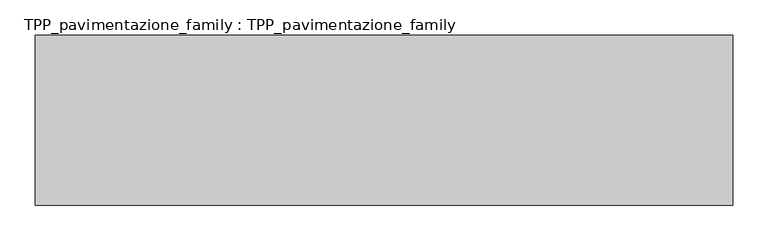
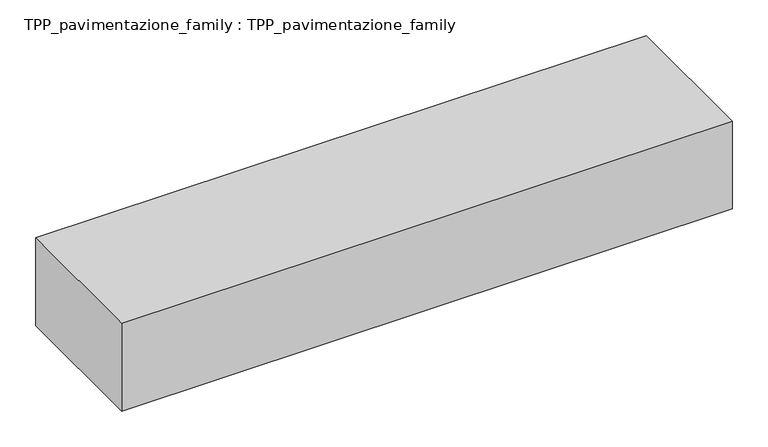
"""IFC4 building model written with IfcOpenShell, lengths in millimetres: proxy geometry, TPP_pavimentazione_family : TPP_pavimentazione_family."""

from ifc_helpers import new_model, si_unit, origin, origin_with_axes, place, context, project, spatial, polyline, outline, extrude, source, transform, mapped, element, save


def tpp_pavimentazione_family_tpp_pavimentazione_family_38820ddd(model_context):
    return source(origin(), model_context, "Body", "SweptSolid", [
        extrude(outline(polyline([(511.8146187, 354.2201026), (511.8146187, 114.2201026), (-473.9466783, 114.2201026), (-473.9466783, 354.2201026), (511.8146187, 354.2201026)])), origin_with_axes(), (0.0, 0.0, 1.0), 150.0),
    ])


if __name__ == "__main__":
    model = new_model("IFC4")
    model_context = context("Model", 3, world=origin())
    ifc_project = project(units=[si_unit("LENGTHUNIT", "METRE", prefix="MILLI")], contexts=[model_context])
    site = spatial("IfcSite", under=ifc_project)
    building = spatial("IfcBuilding", under=site)
    placement = place(None, origin())
    tpp_pavimentazione_family_tpp_pavimentazione_family_shape = tpp_pavimentazione_family_tpp_pavimentazione_family_38820ddd(model_context)
    element("IfcBuildingElementProxy", 1, Name="TPP_pavimentazione_family : TPP_pavimentazione_family", ObjectType="TPP_pavimentazione_family : TPP_pavimentazione_family", at=placement, inside=building, context=model_context, shape_type="MappedRepresentation", body=[
        mapped(tpp_pavimentazione_family_tpp_pavimentazione_family_shape, transform((0.0, 0.0, 0.0), x_axis=(1.0, 0.0, 0.0), y_axis=(0.0, 1.0, 0.0), z_axis=(0.0, 0.0, 1.0))),
    ])
    save(model, "model.ifc")
